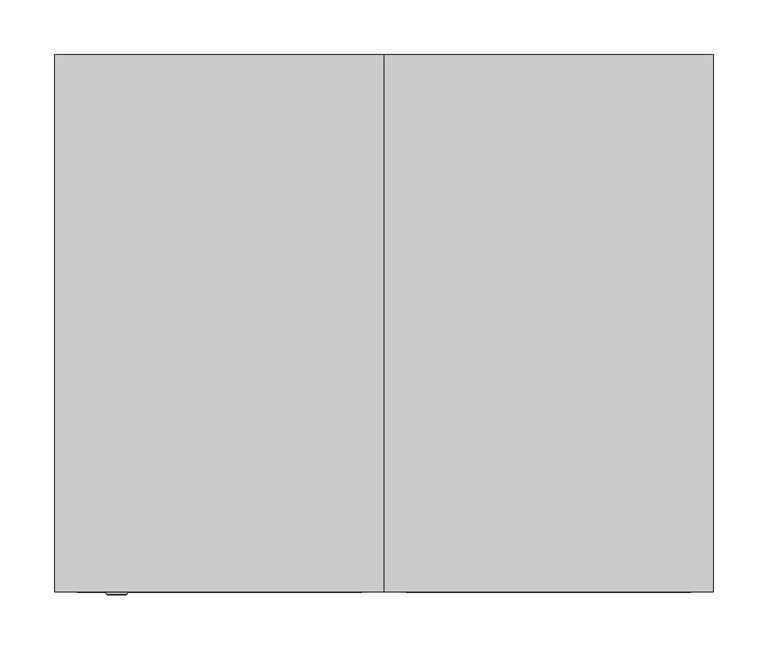
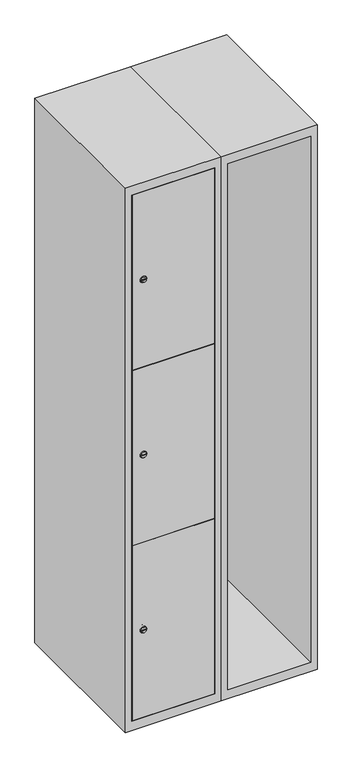
"""IFC4 building model written with IfcOpenShell, lengths in millimetres: furniture geometry."""

from ifc_helpers import new_model, si_unit, point, frame, frame_2d, origin, place, context, project, spatial, polyline, circle_curve, trimmed, segment, composite_curve, outline, extrude, faceted_brep, source, transform, mapped, element, save
from ifc_brep_helpers import plane_surface, revolved_surface, advanced_brep


def furniture_74543c1d(model_context):
    return source(origin(), model_context, "Body", "SolidModel", [
        faceted_brep([(400.0, -245.0, 35.0), (400.0, -245.0, 1835.0), (100.0, -245.0, 1835.0), (100.0, -245.0, 35.0), (379.6, -245.0, 1804.8), (379.6, -245.0, 65.2), (120.4, -245.0, 65.2), (120.4, -245.0, 1804.8), (400.0, 245.0, 35.0), (100.0, 245.0, 35.0), (400.0, 245.0, 1835.0), (100.0, 245.0, 1835.0), (379.6, 242.0, 1804.8), (379.6, 242.0, 65.2), (100.0, 245.0, 1804.8), (120.4, 242.0, 1804.8), (120.4, 242.0, 65.2)], [[[0, 1, 2, 3], [4, 5, 6, 7]], [[8, 0, 3, 9]], [[1, 0, 8, 10]], [[1, 10, 11, 2]], [[4, 12, 13, 5]], [[9, 3, 2, 11, 14]], [[10, 8, 9, 14, 11]], [[12, 15, 16, 13]], [[15, 7, 6, 16]], [[4, 7, 15, 12]], [[6, 5, 13, 16]]]),
        extrude(outline(composite_curve([segment(trimmed(circle_curve(frame_2d((355.8, -170.3989466)), 7.0), [point((362.8, -170.3989466))], [point((348.8, -170.3989466))], False, "CARTESIAN"), True, "CONTINUOUS"), segment(polyline([(348.8, -170.3989466), (348.8, -142.3989466)]), True, "CONTINUOUS"), segment(trimmed(circle_curve(frame_2d((355.8, -142.3989466)), 7.0), [point((348.8, -142.3989466))], [point((362.8, -142.3989466))], False, "CARTESIAN"), True, "CONTINUOUS"), segment(polyline([(362.8, -142.3989466), (362.8, -170.3989466)]), True, "CONTINUOUS")], self_intersect=False)), frame((0.0, -227.0, 0.0), z_axis=(0.0, 1.0, 0.0), x_axis=(0.0, 0.0, 1.0)), (0.0, 0.0, 1.0), 2.0),
        advanced_brep(
        [(-135.1, -247.2, 355.8), (-152.1, -247.2, 355.8), (-148.6, -247.2, 354.55), (-148.6, -247.2, 357.05), (-138.6, -247.2, 357.05), (-138.6, -247.2, 354.55), (-133.1, -245.0, 355.8), (-154.1, -245.0, 355.8), (-148.6, -245.0, 357.05), (-148.6, -245.0, 354.55), (-138.6, -245.0, 354.55), (-138.6, -245.0, 357.05)],
        [
            (0, 1, circle_curve(frame((-143.6, -247.2, 355.8), z_axis=(0.0, -1.0, 0.0), x_axis=(1.0, 0.0, 0.0)), 8.5)),
            (1, 0, circle_curve(frame((-143.6, -247.2, 355.8), z_axis=(0.0, -1.0, 0.0), x_axis=(-1.0, 0.0, 0.0)), 8.5)),
            (2, 3),
            (3, 4),
            (4, 5),
            (5, 2),
            (6, 7, circle_curve(frame((-143.6, -245.0, 355.8), z_axis=(0.0, 1.0, 0.0), x_axis=(-1.0, 0.0, 0.0)), 10.5)),
            (7, 6, circle_curve(frame((-143.6, -245.0, 355.8), z_axis=(0.0, 1.0, 0.0), x_axis=(1.0, 0.0, 0.0)), 10.5)),
            (8, 9),
            (9, 10),
            (10, 11),
            (11, 8),
            (0, 6),
            (7, 1),
            (8, 3),
            (2, 9),
            (11, 4),
            (10, 5),
        ],
        [
            plane_surface(frame((-143.6, -247.2, 355.8), z_axis=(0.0, -1.0, 0.0), x_axis=(0.0, 0.0, 1.0))),
            plane_surface(frame((-143.6, -245.0, 355.8), z_axis=(0.0, 1.0, 0.0), x_axis=(0.0, 0.0, 1.0))),
            revolved_surface(polyline([(-135.1, -247.2, 355.8), (-133.1, -245.0, 355.8)]), (-143.6, -256.55, 355.8), (0.0, 1.0, 0.0)),
            revolved_surface(polyline([(-152.1, -247.2, 355.8), (-154.1, -245.0, 355.8)]), (-143.6, -256.55, 355.8), (0.0, 1.0, 0.0)),
            plane_surface(frame((-148.6, -245.0, 354.55), z_axis=(1.0, 0.0, 0.0), x_axis=(0.0, -1.0, 0.0))),
            plane_surface(frame((-148.6, -245.0, 357.05), z_axis=(0.0, 0.0, -1.0), x_axis=(0.0, -1.0, 0.0))),
            plane_surface(frame((-138.6, -245.0, 357.05), z_axis=(-1.0, 0.0, 0.0), x_axis=(0.0, -1.0, 0.0))),
            plane_surface(frame((-138.6, -245.0, 354.55), z_axis=(0.0, 0.0, 1.0), x_axis=(0.0, -1.0, 0.0))),
        ],
        [
            (0, [[1, 2], [3, 4, 5, 6]]),
            (1, [[7, 8], [9, 10, 11, 12]]),
            (2, [[-1, 13, -8, 14]]),
            (3, [[-2, -14, -7, -13]]),
            (4, [[15, -3, 16, -9]]),
            (5, [[-15, -12, 17, -4]]),
            (6, [[-17, -11, 18, -5]]),
            (7, [[-16, -6, -18, -10]]),
        ],
    ),
        extrude(outline(composite_curve([segment(trimmed(circle_curve(frame_2d((935.0, -170.3989466)), 7.0), [point((942.0, -170.3989466))], [point((928.0, -170.3989466))], False, "CARTESIAN"), True, "CONTINUOUS"), segment(polyline([(928.0, -170.3989466), (928.0, -142.3989466)]), True, "CONTINUOUS"), segment(trimmed(circle_curve(frame_2d((935.0, -142.3989466)), 7.0), [point((928.0, -142.3989466))], [point((942.0, -142.3989466))], False, "CARTESIAN"), True, "CONTINUOUS"), segment(polyline([(942.0, -142.3989466), (942.0, -170.3989466)]), True, "CONTINUOUS")], self_intersect=False)), frame((0.0, -227.0, 0.0), z_axis=(0.0, 1.0, 0.0), x_axis=(0.0, 0.0, 1.0)), (0.0, 0.0, 1.0), 2.0),
        advanced_brep(
        [(-135.1, -247.2, 935.0), (-152.1, -247.2, 935.0), (-148.6, -247.2, 933.75), (-148.6, -247.2, 936.25), (-138.6, -247.2, 936.25), (-138.6, -247.2, 933.75), (-133.1, -245.0, 935.0), (-154.1, -245.0, 935.0), (-148.6, -245.0, 936.25), (-148.6, -245.0, 933.75), (-138.6, -245.0, 933.75), (-138.6, -245.0, 936.25)],
        [
            (0, 1, circle_curve(frame((-143.6, -247.2, 935.0), z_axis=(0.0, -1.0, 0.0), x_axis=(1.0, 0.0, 0.0)), 8.5)),
            (1, 0, circle_curve(frame((-143.6, -247.2, 935.0), z_axis=(0.0, -1.0, 0.0), x_axis=(-1.0, 0.0, 0.0)), 8.5)),
            (2, 3),
            (3, 4),
            (4, 5),
            (5, 2),
            (6, 7, circle_curve(frame((-143.6, -245.0, 935.0), z_axis=(0.0, 1.0, 0.0), x_axis=(-1.0, 0.0, 0.0)), 10.5)),
            (7, 6, circle_curve(frame((-143.6, -245.0, 935.0), z_axis=(0.0, 1.0, 0.0), x_axis=(1.0, 0.0, 0.0)), 10.5)),
            (8, 9),
            (9, 10),
            (10, 11),
            (11, 8),
            (0, 6),
            (7, 1),
            (8, 3),
            (2, 9),
            (11, 4),
            (10, 5),
        ],
        [
            plane_surface(frame((-143.6, -247.2, 935.0), z_axis=(0.0, -1.0, 0.0), x_axis=(0.0, 0.0, 1.0))),
            plane_surface(frame((-143.6, -245.0, 935.0), z_axis=(0.0, 1.0, 0.0), x_axis=(0.0, 0.0, 1.0))),
            revolved_surface(polyline([(-135.1, -247.2, 935.0), (-133.1, -245.0, 935.0)]), (-143.6, -256.55, 935.0), (0.0, 1.0, 0.0)),
            revolved_surface(polyline([(-152.1, -247.2, 935.0), (-154.1, -245.0, 935.0)]), (-143.6, -256.55, 935.0), (0.0, 1.0, 0.0)),
            plane_surface(frame((-148.6, -245.0, 933.75), z_axis=(1.0, 0.0, 0.0), x_axis=(0.0, -1.0, 0.0))),
            plane_surface(frame((-148.6, -245.0, 936.25), z_axis=(0.0, 0.0, -1.0), x_axis=(0.0, -1.0, 0.0))),
            plane_surface(frame((-138.6, -245.0, 936.25), z_axis=(-1.0, 0.0, 0.0), x_axis=(0.0, -1.0, 0.0))),
            plane_surface(frame((-138.6, -245.0, 933.75), z_axis=(0.0, 0.0, 1.0), x_axis=(0.0, -1.0, 0.0))),
        ],
        [
            (0, [[1, 2], [3, 4, 5, 6]]),
            (1, [[7, 8], [9, 10, 11, 12]]),
            (2, [[-1, 13, -8, 14]]),
            (3, [[-2, -14, -7, -13]]),
            (4, [[15, -3, 16, -9]]),
            (5, [[-15, -12, 17, -4]]),
            (6, [[-17, -11, 18, -5]]),
            (7, [[-16, -6, -18, -10]]),
        ],
    ),
        extrude(outline(composite_curve([segment(trimmed(circle_curve(frame_2d((1514.2, -170.3989466)), 7.0), [point((1521.2, -170.3989466))], [point((1507.2, -170.3989466))], False, "CARTESIAN"), True, "CONTINUOUS"), segment(polyline([(1507.2, -170.3989466), (1507.2, -142.3989466)]), True, "CONTINUOUS"), segment(trimmed(circle_curve(frame_2d((1514.2, -142.3989466)), 7.0), [point((1507.2, -142.3989466))], [point((1521.2, -142.3989466))], False, "CARTESIAN"), True, "CONTINUOUS"), segment(polyline([(1521.2, -142.3989466), (1521.2, -170.3989466)]), True, "CONTINUOUS")], self_intersect=False)), frame((0.0, -227.0, 0.0), z_axis=(0.0, 1.0, 0.0), x_axis=(0.0, 0.0, 1.0)), (0.0, 0.0, 1.0), 2.0),
        advanced_brep(
        [(-135.1, -247.2, 1514.2), (-152.1, -247.2, 1514.2), (-148.6, -247.2, 1512.95), (-148.6, -247.2, 1515.45), (-138.6, -247.2, 1515.45), (-138.6, -247.2, 1512.95), (-133.1, -245.0, 1514.2), (-154.1, -245.0, 1514.2), (-148.6, -245.0, 1515.45), (-148.6, -245.0, 1512.95), (-138.6, -245.0, 1512.95), (-138.6, -245.0, 1515.45)],
        [
            (0, 1, circle_curve(frame((-143.6, -247.2, 1514.2), z_axis=(0.0, -1.0, 0.0), x_axis=(1.0, 0.0, 0.0)), 8.5)),
            (1, 0, circle_curve(frame((-143.6, -247.2, 1514.2), z_axis=(0.0, -1.0, 0.0), x_axis=(-1.0, 0.0, 0.0)), 8.5)),
            (2, 3),
            (3, 4),
            (4, 5),
            (5, 2),
            (6, 7, circle_curve(frame((-143.6, -245.0, 1514.2), z_axis=(0.0, 1.0, 0.0), x_axis=(-1.0, 0.0, 0.0)), 10.5)),
            (7, 6, circle_curve(frame((-143.6, -245.0, 1514.2), z_axis=(0.0, 1.0, 0.0), x_axis=(1.0, 0.0, 0.0)), 10.5)),
            (8, 9),
            (9, 10),
            (10, 11),
            (11, 8),
            (0, 6),
            (7, 1),
            (8, 3),
            (2, 9),
            (11, 4),
            (10, 5),
        ],
        [
            plane_surface(frame((-143.6, -247.2, 1514.2), z_axis=(0.0, -1.0, 0.0), x_axis=(0.0, 0.0, 1.0))),
            plane_surface(frame((-143.6, -245.0, 1514.2), z_axis=(0.0, 1.0, 0.0), x_axis=(0.0, 0.0, 1.0))),
            revolved_surface(polyline([(-135.1, -247.2, 1514.2), (-133.1, -245.0, 1514.2)]), (-143.6, -256.55, 1514.2), (0.0, 1.0, 0.0)),
            revolved_surface(polyline([(-152.1, -247.2, 1514.2), (-154.1, -245.0, 1514.2)]), (-143.6, -256.55, 1514.2), (0.0, 1.0, 0.0)),
            plane_surface(frame((-148.6, -245.0, 1512.95), z_axis=(1.0, 0.0, 0.0), x_axis=(0.0, -1.0, 0.0))),
            plane_surface(frame((-148.6, -245.0, 1515.45), z_axis=(0.0, 0.0, -1.0), x_axis=(0.0, -1.0, 0.0))),
            plane_surface(frame((-138.6, -245.0, 1515.45), z_axis=(-1.0, 0.0, 0.0), x_axis=(0.0, -1.0, 0.0))),
            plane_surface(frame((-138.6, -245.0, 1512.95), z_axis=(0.0, 0.0, 1.0), x_axis=(0.0, -1.0, 0.0))),
        ],
        [
            (0, [[1, 2], [3, 4, 5, 6]]),
            (1, [[7, 8], [9, 10, 11, 12]]),
            (2, [[-1, 13, -8, 14]]),
            (3, [[-2, -14, -7, -13]]),
            (4, [[15, -3, 16, -9]]),
            (5, [[-15, -12, 17, -4]]),
            (6, [[-17, -11, 18, -5]]),
            (7, [[-16, -6, -18, -10]]),
        ],
    ),
        extrude(outline(polyline([(78.6, -227.0), (78.6, -245.0), (-178.6, -245.0), (-178.6, -227.0), (78.6, -227.0)])), frame((0.0, 0.0, 645.9), z_axis=(0.0, 0.0, 1.0), x_axis=(1.0, 0.0, 0.0)), (0.0, 0.0, 1.0), 578.2),
        extrude(outline(polyline([(-178.6, -245.0), (-178.6, -227.0), (78.6, -227.0), (78.6, -245.0), (-178.6, -245.0)])), frame((0.0, 0.0, 1225.1), z_axis=(0.0, 0.0, 1.0), x_axis=(1.0, 0.0, 0.0)), (0.0, 0.0, 1.0), 578.7),
        extrude(outline(polyline([(78.6, -227.0), (78.6, -245.0), (-178.6, -245.0), (-178.6, -227.0), (78.6, -227.0)])), frame((0.0, 0.0, 66.2), z_axis=(0.0, 0.0, 1.0), x_axis=(1.0, 0.0, 0.0)), (0.0, 0.0, 1.0), 578.7),
        extrude(outline(polyline([(79.6, 242.0), (79.6, -227.0), (-179.6, -227.0), (-179.6, 242.0), (79.6, 242.0)])), frame((0.0, 0.0, 1214.7333333), z_axis=(0.0, 0.0, 1.0), x_axis=(1.0, 0.0, 0.0)), (0.0, 0.0, 1.0), 20.4),
        extrude(outline(polyline([(-179.6, 242.0), (79.6, 242.0), (79.6, -227.0), (-179.6, -227.0), (-179.6, 242.0)])), frame((0.0, 0.0, 634.8666667), z_axis=(0.0, 0.0, 1.0), x_axis=(1.0, 0.0, 0.0)), (0.0, 0.0, 1.0), 20.4),
        faceted_brep([(100.0, -245.0, 35.0), (100.0, -245.0, 1835.0), (-200.0, -245.0, 1835.0), (-200.0, -245.0, 35.0), (79.6, -245.0, 1804.8), (79.6, -245.0, 65.2), (-179.6, -245.0, 65.2), (-179.6, -245.0, 1804.8), (100.0, 245.0, 35.0), (-200.0, 245.0, 35.0), (100.0, 245.0, 1835.0), (-200.0, 245.0, 1835.0), (79.6, 242.0, 1804.8), (79.6, 242.0, 65.2), (-200.0, 245.0, 1804.8), (-179.6, 242.0, 1804.8), (-179.6, 242.0, 65.2)], [[[0, 1, 2, 3], [4, 5, 6, 7]], [[8, 0, 3, 9]], [[1, 0, 8, 10]], [[1, 10, 11, 2]], [[4, 12, 13, 5]], [[9, 3, 2, 11, 14]], [[10, 8, 9, 14, 11]], [[12, 15, 16, 13]], [[15, 7, 6, 16]], [[4, 7, 15, 12]], [[6, 5, 13, 16]]]),
    ])


if __name__ == "__main__":
    model = new_model("IFC4")
    model_context = context("Model", 3, world=origin())
    ifc_project = project(units=[si_unit("LENGTHUNIT", "METRE", prefix="MILLI")], contexts=[model_context])
    site = spatial("IfcSite", under=ifc_project)
    building = spatial("IfcBuilding", under=site)
    placement = place(None, origin())
    furniture_shape = furniture_74543c1d(model_context)
    element("IfcFurniture", 1, at=placement, inside=building, context=model_context, shape_type="MappedRepresentation", body=[
        mapped(furniture_shape, transform((0.0, 0.0, 0.0), x_axis=(1.0, 0.0, 0.0), y_axis=(0.0, 1.0, 0.0), z_axis=(0.0, 0.0, 1.0))),
    ])
    save(model, "model.ifc")
